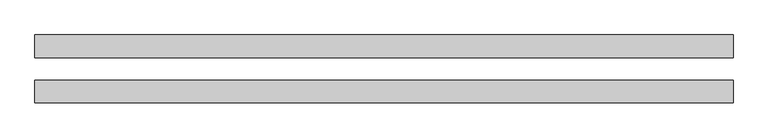
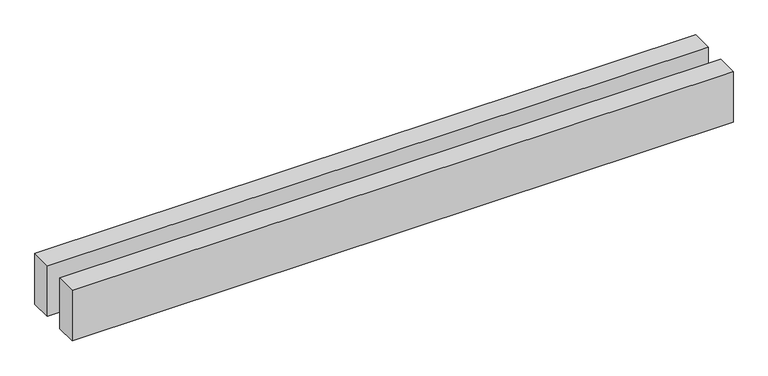
"""IFC4 building model written with IfcOpenShell, lengths in millimetres: proxy geometry."""

from ifc_helpers import new_model, si_unit, origin, origin_with_axes, place, context, project, spatial, polyline, outline, extrude, source, transform, mapped, element, save


def generic_models_4a53ba27(model_context):
    return source(origin(), model_context, "Body", "SweptSolid", [
        extrude(outline(polyline([(6168.8388957, 300.0), (6168.8388957, 100.0), (0.0, 100.0), (0.0, 300.0), (6168.8388957, 300.0)])), origin_with_axes(), (0.0, 0.0, 1.0), 500.0),
        extrude(outline(polyline([(6168.8388957, -100.0), (6168.8388957, -300.0), (0.0, -300.0), (0.0, -100.0), (6168.8388957, -100.0)])), origin_with_axes(), (0.0, 0.0, 1.0), 500.0),
    ])


if __name__ == "__main__":
    model = new_model("IFC4")
    model_context = context("Model", 3, world=origin())
    ifc_project = project(units=[si_unit("LENGTHUNIT", "METRE", prefix="MILLI")], contexts=[model_context])
    site = spatial("IfcSite", under=ifc_project)
    building = spatial("IfcBuilding", under=site)
    placement = place(None, origin())
    generic_models_shape = generic_models_4a53ba27(model_context)
    element("IfcBuildingElementProxy", 1, Name="Generic Models", at=placement, inside=building, context=model_context, shape_type="MappedRepresentation", body=[
        mapped(generic_models_shape, transform((0.0, 0.0, 0.0), x_axis=(1.0, 0.0, 0.0), y_axis=(0.0, 1.0, 0.0), z_axis=(0.0, 0.0, 1.0))),
    ])
    save(model, "model.ifc")
